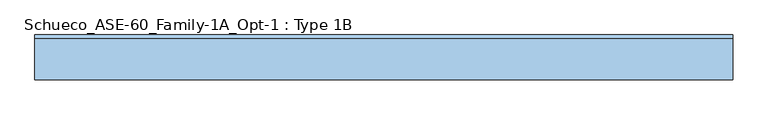
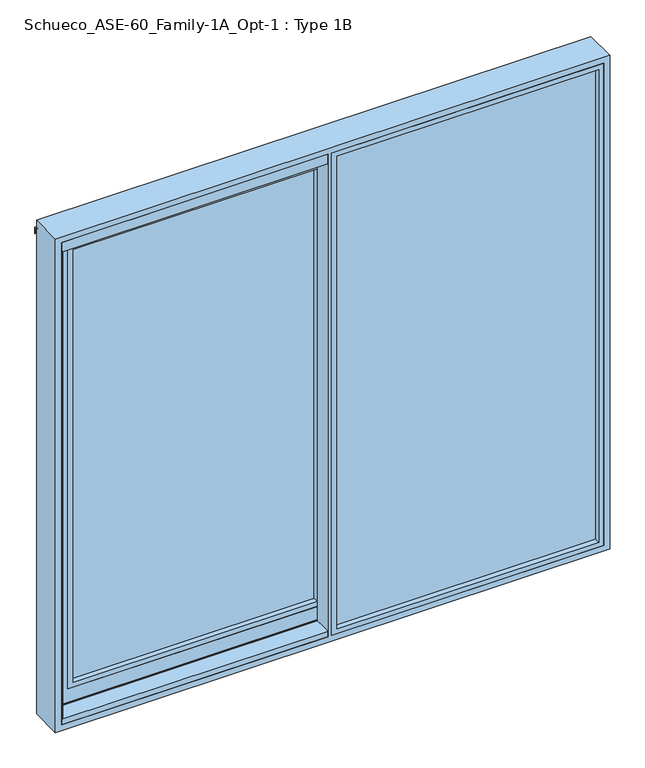
"""IFC4 building model written with IfcOpenShell, lengths in millimetres: window geometry, Schueco_ASE-60_Family-1A_Opt-1 : Type 1B."""

import ifcopenshell
import ifcopenshell.guid

model = None  # the IFC model being written
_history = None  # IfcOwnerHistory: only IFC2X3 demands one
_inside = {}  # id of a spatial element -> (the spatial element, [elements in it])
_under = {}  # id of a project, library or spatial element -> (it, [spatial elements below it])
_declared = {}  # id of a project -> (the project, [libraries it declares])
_typed = {}  # id of a type object -> (the type object, [elements of that type])
_made_of = {}  # id of a material, layer set ... -> (it, [elements and type objects made of it])


def new_model(schema):
    """Start an empty IFC model of exactly this schema.

    Asked for "IFC4X3", IfcOpenShell would pick the latest addendum, in which some entities
    have other attributes; the version numbers below select the first issue.
    IFC2X3 requires an IfcOwnerHistory on every rooted entity: one is made here for all.
    """
    global model, _history
    if schema == "IFC4X3":
        model = ifcopenshell.file(schema_version=(4, 3, 0, 0))
    else:
        model = ifcopenshell.file(schema=schema)
    _inside.clear()
    _under.clear()
    _declared.clear()
    _typed.clear()
    _made_of.clear()
    _history = None
    if model.schema == "IFC2X3":
        org = make("IfcOrganization", Name="unknown")
        user = make(
            "IfcPersonAndOrganization",
            ThePerson=make("IfcPerson", FamilyName="unknown"),
            TheOrganization=org,
        )
        app = make(
            "IfcApplication",
            ApplicationDeveloper=org,
            Version="unknown",
            ApplicationFullName="unknown",
            ApplicationIdentifier="unknown",
        )
        _history = make(
            "IfcOwnerHistory",
            OwningUser=user,
            OwningApplication=app,
            ChangeAction="ADDED",
            CreationDate=0,
        )
    return model


def make(cls, **values):
    """One entity of the class cls with the attributes given. An attribute that is None is left unset."""
    return model.create_entity(
        cls, **{name: value for name, value in values.items() if value is not None}
    )


def rooted(cls, **values):
    """An entity with a GlobalId (a new one), such as an element, a storey or a relation."""
    return make(cls, GlobalId=ifcopenshell.guid.new(), OwnerHistory=_history, **values)


def si_unit(unit_type, name, prefix=None):
    """IfcSIUnit, for example si_unit("LENGTHUNIT", "METRE", prefix="MILLI")."""
    return make("IfcSIUnit", UnitType=unit_type, Prefix=prefix, Name=name)


def assignment(units):
    """IfcUnitAssignment: the units of a project."""
    return None if units is None else make("IfcUnitAssignment", Units=units)


def point(xyz):
    """IfcCartesianPoint."""
    return None if xyz is None else make("IfcCartesianPoint", Coordinates=xyz)


def direction(xyz):
    """IfcDirection."""
    return None if xyz is None else make("IfcDirection", DirectionRatios=xyz)


def frame(location, z_axis=None, x_axis=None):
    """IfcAxis2Placement3D, a coordinate frame: its origin and axes. An axis left out is left unset."""
    return make(
        "IfcAxis2Placement3D",
        Location=point(location),
        Axis=direction(z_axis),
        RefDirection=direction(x_axis),
    )


def origin():
    """The frame at (0, 0, 0) with its axes left unset."""
    return frame((0.0, 0.0, 0.0))


def origin_with_axes():
    """The frame at (0, 0, 0) with the z axis (0, 0, 1) and the x axis (1, 0, 0) written out."""
    return frame((0.0, 0.0, 0.0), z_axis=(0.0, 0.0, 1.0), x_axis=(1.0, 0.0, 0.0))


def place(relative_to, where):
    """IfcLocalPlacement: puts the frame where relative to a parent placement (None: the world)."""
    return make(
        "IfcLocalPlacement", PlacementRelTo=relative_to, RelativePlacement=where
    )


def context(
    kind, dimensions, precision=None, world=None, true_north=None, identifier=None
):
    """IfcGeometricRepresentationContext, for example the 3D "Model" context."""
    return make(
        "IfcGeometricRepresentationContext",
        ContextIdentifier=identifier,
        ContextType=kind,
        CoordinateSpaceDimension=dimensions,
        Precision=precision,
        WorldCoordinateSystem=world,
        TrueNorth=true_north,
    )


def project(units=None, contexts=None):
    """IfcProject with its units and contexts."""
    return rooted(
        "IfcProject",
        Name="project",
        RepresentationContexts=contexts,
        UnitsInContext=assignment(units),
    )


def spatial(cls, under=None, at=None, **own):
    """A site, building, storey or space (cls), placed at a placement, below another one or the project."""
    s = rooted(cls, ObjectPlacement=at, **own)
    if under is not None:
        _under.setdefault(under.id(), (under, []))[1].append(s)
    return s


def polyline(points):
    """IfcPolyline through the points."""
    return make("IfcPolyline", Points=[point(p) for p in points])


def outline(outer, holes=None, kind="AREA"):
    """IfcArbitraryClosedProfileDef: a profile drawn as a closed curve; with holes, ...WithVoids."""
    if holes is None:
        return make("IfcArbitraryClosedProfileDef", ProfileType=kind, OuterCurve=outer)
    return make(
        "IfcArbitraryProfileDefWithVoids",
        ProfileType=kind,
        OuterCurve=outer,
        InnerCurves=holes,
    )


def extrude(swept, where, along, depth):
    """IfcExtrudedAreaSolid: the profile swept, set in the frame where, extruded along a direction by depth."""
    return make(
        "IfcExtrudedAreaSolid",
        SweptArea=swept,
        Position=where,
        ExtrudedDirection=direction(along),
        Depth=depth,
    )


def faces_of(points, faces, orient=None, outer=None):
    """IfcFace entities. A face is a list of loops; a loop is a list of indices into points, from 0.

    orient and outer hold one flag for each loop. By default every Orientation is true, the
    first loop of a face is its IfcFaceOuterBound and the others are IfcFaceBound.
    """
    made = []
    for i, loops in enumerate(faces):
        bounds = []
        for j, loop in enumerate(loops):
            is_outer = j == 0 if outer is None else outer[i][j]
            bounds.append(
                make(
                    "IfcFaceOuterBound" if is_outer else "IfcFaceBound",
                    Bound=make("IfcPolyLoop", Polygon=[points[k] for k in loop]),
                    Orientation=True if orient is None else orient[i][j],
                )
            )
        made.append(make("IfcFace", Bounds=bounds))
    return made


def faceted_brep(points, faces, orient=None, outer=None, voids=None):
    """IfcFacetedBrep: a solid bounded by flat faces; with voids (closed shells), ...WithVoids."""
    shared = [point(p) for p in points]
    hull = make("IfcClosedShell", CfsFaces=faces_of(shared, faces, orient, outer))
    if voids is None:
        return make("IfcFacetedBrep", Outer=hull)
    return make(
        "IfcFacetedBrepWithVoids",
        Outer=hull,
        Voids=[
            make(cls, CfsFaces=faces_of(shared, fs, o, b)) for cls, fs, o, b in voids
        ],
    )


def shape(context_of_items, identifier, shape_type, items):
    """IfcShapeRepresentation: the items that make up one representation, for example the "Body"."""
    return make(
        "IfcShapeRepresentation",
        ContextOfItems=context_of_items,
        RepresentationIdentifier=identifier,
        RepresentationType=shape_type,
        Items=items,
    )


def source(mapping_origin, context_of_items, identifier, shape_type, items):
    """IfcRepresentationMap: a shape defined once, which mapped items show again and again."""
    return make(
        "IfcRepresentationMap",
        MappingOrigin=mapping_origin,
        MappedRepresentation=shape(context_of_items, identifier, shape_type, items),
    )


def transform(
    local_origin,
    x_axis=None,
    y_axis=None,
    z_axis=None,
    scale=None,
    scale2=None,
    scale3=None,
    uniform=True,
):
    """IfcCartesianTransformationOperator3D, or its non-uniform kind. x_axis, y_axis, z_axis: its Axis1, 2, 3."""
    if uniform:
        return make(
            "IfcCartesianTransformationOperator3D",
            Axis1=direction(x_axis),
            Axis2=direction(y_axis),
            LocalOrigin=point(local_origin),
            Scale=scale,
            Axis3=direction(z_axis),
        )
    return make(
        "IfcCartesianTransformationOperator3DnonUniform",
        Axis1=direction(x_axis),
        Axis2=direction(y_axis),
        LocalOrigin=point(local_origin),
        Scale=scale,
        Axis3=direction(z_axis),
        Scale2=scale2,
        Scale3=scale3,
    )


def mapped(mapping_source, mapping_target):
    """IfcMappedItem: shows the shape of a source again, moved by a transform."""
    return make(
        "IfcMappedItem", MappingSource=mapping_source, MappingTarget=mapping_target
    )


def made_of(thing, what):
    """Note that an element or type object is made of a material, layer set ...; save() writes the relation."""
    if what is not None:
        _made_of.setdefault(what.id(), (what, []))[1].append(thing)
    return thing


def element(
    cls,
    number,
    at=None,
    inside=None,
    cuts=None,
    type_object=None,
    material=None,
    context=None,
    identifier="Body",
    shape_type=None,
    held_by="IfcProductDefinitionShape",
    body=None,
    shapes=None,
    **own,
):
    """One element of the class cls, such as IfcWall. Its Tag is "e" and its number.

    at: its placement. inside: the storey or other place that contains it. cuts: it is an
    opening in that element (IfcRelVoidsElement). A single representation is given by context,
    identifier, shape_type and body (its items); several are given by shapes. held_by: the class
    of the entity that holds the representations. save() writes the other relations.
    """
    e = rooted(cls, Tag="e%d" % number, ObjectPlacement=at, **own)
    if body is not None:
        shapes = [shape(context, identifier, shape_type, body)]
    if shapes is not None:
        e.Representation = make(held_by, Representations=shapes)
    if inside is not None:
        _inside.setdefault(inside.id(), (inside, []))[1].append(e)
    if cuts is not None:
        rooted(
            "IfcRelVoidsElement", RelatingBuildingElement=cuts, RelatedOpeningElement=e
        )
    if type_object is not None:
        _typed.setdefault(type_object.id(), (type_object, []))[1].append(e)
    return made_of(e, material)


def aggregate(whole, parts):
    """IfcRelAggregates: a whole, such as a stair, and the parts it consists of."""
    return rooted("IfcRelAggregates", RelatingObject=whole, RelatedObjects=parts)


def save(model, path):
    """Write the relations noted so far, then the file.

    IfcRelAggregates (storeys below a building ...), IfcRelContainedInSpatialStructure (elements
    in a storey), IfcRelDefinesByType, IfcRelAssociatesMaterial and IfcRelDeclares: one each for
    every whole, place, type object, material and project.
    """
    for whole, parts in _under.values():
        aggregate(whole, parts)
    for where, things in _inside.values():
        rooted(
            "IfcRelContainedInSpatialStructure",
            RelatedElements=things,
            RelatingStructure=where,
        )
    for kind, things in _typed.values():
        rooted("IfcRelDefinesByType", RelatedObjects=things, RelatingType=kind)
    for what, things in _made_of.values():
        rooted("IfcRelAssociatesMaterial", RelatedObjects=things, RelatingMaterial=what)
    for by, libraries in _declared.values():
        rooted("IfcRelDeclares", RelatingContext=by, RelatedDefinitions=libraries)
    model.write(path)


def schueco_ase_60_family_1a_opt_1_type_1b_a3e673f0(model_context):
    return source(origin(), model_context, "Body", "SolidModel", [
        extrude(outline(polyline([(0.0, 20.0000255), (20.0, 20.0000255), (20.0, 4.0000255), (0.0, 4.0000255), (0.0, 20.0000255)])), frame((0.0, 0.0, 4.0), z_axis=(0.0, 0.0, 1.0), x_axis=(1.0, 0.0, 0.0)), (0.0, 0.0, 1.0), 2127.0),
        faceted_brep([(-1068.0, 80.0, 86.0), (-1068.0, 68.9999911, 86.0), (-20.0, 68.9999911, 86.0), (-20.0, 80.0, 86.0), (2.0, 68.9999911, 64.0), (-1090.0, 68.9999911, 64.0), (-1090.0, 20.0000255, 64.0), (2.0, 20.0000255, 64.0), (-1150.0017184, 80.0, 4.0), (20.0, 80.0, 4.0), (20.0, 20.0000255, 4.0), (-1150.0, 20.0000255, 4.0), (-1150.0, 25.5000255, 4.0), (2.0, 25.5000255, 4.0), (2.0, 68.9999911, 4.0), (-20.0, 68.9999911, 4.0), (-20.0, 74.5000332, 4.0), (-1150.0017184, 74.5000332, 4.0), (-1120.0, 25.5000255, 34.0), (-1120.0, 74.5000332, 34.0), (-20.0, 74.5000332, 34.0), (-20.0, 68.9999911, 34.0), (2.0, 68.9999911, 34.0), (2.0, 25.5000255, 34.0), (-1068.0, 80.0, 2049.0), (-1068.0, 68.9999911, 2049.0), (-1090.0, 68.9999911, 2071.0), (-1090.0, 20.0000255, 2071.0), (-1150.0, 20.0000255, 2131.0), (-1150.0, 25.5000255, 2131.0), (-1120.0, 25.5000255, 2101.0), (-1120.0, 74.5000332, 2101.0), (-1150.0017184, 74.5000332, 2131.0017184), (-1150.0017184, 80.0, 2131.0017184), (-20.0, 80.0, 2049.0), (-20.0, 68.9999911, 2049.0), (2.0, 68.9999911, 2071.0), (2.0, 20.0000255, 2071.0), (20.0, 20.0000255, 2131.0), (20.0, 80.0, 2131.0), (-20.0, 74.5000332, 2131.0), (-20.0, 68.9999911, 2131.0), (2.0, 68.9999911, 2131.0), (2.0, 25.5000255, 2131.0), (2.0, 25.5000255, 2101.0), (2.0, 68.9999911, 2101.0), (-20.0, 68.9999911, 2101.0), (-20.0, 74.5000332, 2101.0)], [[[0, 1, 2, 3]], [[4, 5, 6, 7]], [[8, 9, 10, 11, 12, 13, 14, 15, 16, 17]], [[18, 19, 20, 21, 22, 23]], [[24, 25, 1, 0]], [[26, 27, 6, 5]], [[28, 29, 12, 11]], [[30, 31, 19, 18]], [[32, 33, 8, 17]], [[25, 24, 34, 35]], [[27, 26, 36, 37]], [[38, 39, 33, 32, 40, 41, 42, 43, 29, 28]], [[31, 30, 44, 45, 46, 47]], [[39, 38, 10, 9]], [[10, 38, 28, 11], [27, 37, 7, 6]], [[33, 39, 9, 8], [0, 3, 34, 24]], [[16, 15, 21, 20]], [[41, 40, 47, 46]], [[34, 3, 2, 35]], [[15, 14, 22, 21]], [[26, 5, 4, 36], [1, 25, 35, 2]], [[42, 41, 46, 45]], [[14, 13, 23, 22]], [[43, 42, 45, 44]], [[36, 4, 7, 37]], [[12, 29, 43, 44, 30, 18, 23, 13]], [[19, 31, 47, 40, 32, 17, 16, 20]]]),
        extrude(outline(polyline([(64.0, 2.0), (2071.0, 2.0), (2071.0, -1090.0), (64.0, -1090.0), (64.0, 2.0)]), holes=[polyline([(86.012649, -20.012649), (86.012649, -1067.987351), (2048.987351, -1067.987351), (2048.987351, -20.012649), (86.012649, -20.012649)])]), frame((0.0, 20.0000255, 0.0), z_axis=(0.0, 1.0, 0.0), x_axis=(0.0, 0.0, 1.0)), (0.0, 0.0, 1.0), 22.9999656),
        extrude(outline(polyline([(-1090.0, 68.9999911), (2.0, 68.9999911), (2.0, 42.9999911), (-1090.0, 42.9999911), (-1090.0, 68.9999911)])), frame((0.0, 0.0, 64.0), z_axis=(0.0, 0.0, 1.0), x_axis=(1.0, 0.0, 0.0)), (0.0, 0.0, 1.0), 2007.0),
        extrude(outline(polyline([(1139.0, 5.0), (1139.0, 80.0), (1150.0, 80.0), (1150.0, 71.2), (1142.0, 68.2882381), (1142.0, 9.0), (1158.0007202, 9.0), (1158.0007202, 5.0), (1139.0, 5.0)])), frame((0.0, 0.0, -19.0), z_axis=(0.0, 0.0, 1.0), x_axis=(1.0, 0.0, 0.0)), (0.0, 0.0, 1.0), 2174.2007202),
        extrude(outline(polyline([(-3.9999695, -10.9998071), (1164.0, -10.9998071), (1164.0, -36.9998071), (-3.9999695, -36.9998071), (-3.9999695, -10.9998071)])), frame((0.0, 0.0, -25.0), z_axis=(0.0, 0.0, 1.0), x_axis=(1.0, 0.0, 0.0)), (0.0, 0.0, 1.0), 2189.0),
        extrude(outline(polyline([(2164.0, -3.9999695), (-25.0, -3.9999695), (-25.0, 1164.0), (2164.0, 1164.0), (2164.0, -3.9999695)]), holes=[polyline([(2141.9998171, 1141.9998171), (-2.9998171, 1141.9998171), (-2.9998171, 18.0002134), (2141.9998171, 18.0002134), (2141.9998171, 1141.9998171)])]), frame((0.0, -60.0, 0.0), z_axis=(0.0, 1.0, 0.0), x_axis=(0.0, 0.0, 1.0)), (0.0, 0.0, 1.0), 23.0001929),
        extrude(outline(polyline([(-1158.999904, -60.0), (-1164.0, -60.0), (-1164.0, -41.7002059), (-1153.7767036, -41.7002059), (-1142.0, -16.4449835), (-1142.0, 10.9997941), (-1158.0007202, 10.9997941), (-1158.0007202, 14.9997941), (-1139.0, 14.9997941), (-1139.0, -17.1100675), (-1158.999904, -60.0)])), origin_with_axes(), (0.0, 0.0, 1.0), 2120.9),
        faceted_brep([(1190.0, 80.0, -51.0), (1190.0, -60.0, -51.0), (-1190.0, -60.0, -51.0), (-1190.0, 80.0, -51.0), (1190.0, 80.0, 2190.0), (1190.0, -60.0, 2190.0), (-1190.0, -60.0, 2190.0), (1164.0, -60.0, 2164.0), (1164.0, -60.0, -25.0), (-3.9999695, -60.0, -25.0), (-3.9999695, -60.0, 2164.0), (-1164.0, -60.0, 2164.0), (-20.0, -60.0, 2164.0), (-20.0, -60.0, -25.0), (-1164.0, -60.0, -25.0), (-1190.0, 80.0, 2190.0), (1142.0, 0.0, -3.0), (1142.0, -10.9998071, -3.0), (1142.0, -10.9998071, 2142.0), (1142.0, 0.0, 2142.0), (-1164.0, -10.9998071, -25.0), (-1164.0, -10.9998071, 2164.0), (1164.0, -10.9998071, -25.0), (1164.0, -10.9998071, 2164.0), (-3.9999695, -10.9998071, -25.0), (-20.0, -10.9998071, -25.0), (1158.0007202, 0.0, 2155.2007202), (1158.0007202, 0.0, -25.0), (0.0, 0.0, -25.0), (0.0, 0.0, 2155.2007202), (20.0, 0.0, 2142.0), (20.0, 0.0, -3.0), (-1142.0, 0.0, 2142.0), (-1142.0, 0.0, -3.0), (-20.0, 0.0, -3.0), (-20.0, 0.0, -25.0), (-1158.0007202, 0.0, -25.0), (-1158.0007202, 0.0, 2155.2007202), (-20.0, 0.0, 2155.2007202), (-20.0, 0.0, 2142.0), (1158.0007202, 28.7999745, -25.0), (1158.0007202, 28.7999745, 2155.2007202), (-1158.0007202, 28.7999745, -25.0), (-1158.0007202, 28.7999745, 2155.2007202), (1150.0007202, 28.7999745, -11.0007902), (-1150.0007202, 28.7999745, -11.0007902), (-1150.0007202, 28.7999745, 2155.2007202), (1150.0007202, 28.7999745, 2155.2007202), (1141.9999672, 31.7120105, -3.0000372), (-1141.9999314, 31.7120239, -3.0000002), (-1141.9999979, 31.7119993, 2122.0), (-1146.7036773, 30.0, 2122.0), (-1146.7036773, 30.0, 2129.2), (-1141.9999982, 31.7119992, 2130.9119992), (-1141.9999989, 31.7119989, 2155.2007202), (1142.0, 31.7119985, 2155.2007202), (1142.0, 31.7119985, 2130.9119985), (1146.7036773, 30.0, 2129.2), (1146.7036773, 30.0, 2122.0), (1142.0, 31.7119985, 2122.0), (1142.0, 35.8, 2155.2007202), (1142.0, 35.8, 2135.0), (1142.0, 68.2882381, -3.0), (1142.0, 68.2882381, 2122.0), (1142.0, 68.2882381, 2142.0), (1142.0, 68.2882381, 2130.9117619), (1142.0, 64.2, 2135.0), (1142.0, 64.2, 2142.0), (-1142.0, 68.2882381, -3.0), (1150.0, 71.2, -11.0), (1146.7030271, 70.0, 2122.0), (1146.7030271, 70.0, 2129.2), (1150.0, 71.2, 2150.0), (-1150.0, 71.2, -11.0), (1158.0, 71.2, -19.0), (-1158.0, 71.2, -19.0), (-1158.0, 71.2, 2157.5), (1158.0, 71.2, 2157.5), (-1150.0, 71.2, 2150.0), (-1142.0, 68.2882381, 2142.0), (-1142.0, 68.2882381, 2130.9117619), (-1146.7030271, 70.0, 2129.2), (-1146.7030271, 70.0, 2122.0), (-1142.0, 68.2882381, 2122.0), (1158.0, 80.0, -19.0), (-1158.0, 80.0, -19.0), (-1158.0, 80.0, 2157.5), (1158.0, 80.0, 2157.5), (-1142.0, 64.2, 2142.0), (-1142.0, 64.2, 2135.0), (-1142.0, 35.8, 2135.0), (-1142.0, 35.8, 2155.2007202), (-1142.0, -10.9998071, -3.0), (-1142.0, -10.9998071, 2142.0), (-3.9999695, -10.9998071, 2164.0), (20.0, -10.9998071, -3.0), (20.0, -10.9998071, 2142.0), (-20.0, -10.9998071, 2142.0), (-20.0, -10.9998071, 2164.0), (-20.0, -10.9998071, -3.0), (0.0, 16.0, 2155.2007202), (-20.0, 16.0, 2155.2007202), (-20.0, 16.0, -25.0), (0.0, 16.0, -25.0)], [[[0, 1, 2, 3]], [[4, 5, 1, 0]], [[6, 2, 1, 5], [7, 8, 9, 10], [11, 12, 13, 14]], [[3, 2, 6, 15]], [[16, 17, 18, 19]], [[14, 20, 21, 11]], [[22, 8, 7, 23]], [[8, 22, 24, 9]], [[20, 14, 13, 25]], [[26, 27, 28, 29], [16, 19, 30, 31]], [[32, 33, 34, 35, 36, 37, 38, 39]], [[40, 27, 26, 41]], [[36, 42, 43, 37]], [[44, 45, 46, 43, 42, 40, 41, 47]], [[44, 48, 49, 45]], [[45, 49, 50, 51, 52, 53, 54, 46]], [[48, 44, 47, 55, 56, 57, 58, 59]], [[56, 55, 60, 61]], [[62, 48, 59, 63]], [[64, 65, 66, 67]], [[48, 62, 68, 49]], [[69, 62, 63, 70, 71, 65, 64, 72]], [[62, 69, 73, 68]], [[74, 75, 76, 77], [73, 69, 72, 78]], [[68, 73, 78, 79, 80, 81, 82, 83]], [[74, 84, 85, 75]], [[75, 85, 86, 76]], [[84, 74, 77, 87]], [[49, 68, 83, 50]], [[80, 79, 88, 89]], [[54, 53, 90, 91]], [[92, 33, 32, 93]], [[22, 23, 94, 24], [18, 17, 95, 96]], [[92, 93, 97, 98, 21, 20, 25, 99]], [[6, 5, 4, 15]], [[11, 21, 98, 12]], [[94, 23, 7, 10]], [[91, 60, 55, 47, 41, 26, 29, 100, 101, 38, 37, 43, 46, 54]], [[52, 57, 56, 61, 90, 53]], [[51, 58, 57, 52]], [[82, 70, 63, 59, 58, 51, 50, 83]], [[90, 61, 60, 91]], [[89, 66, 65, 71, 81, 80]], [[88, 67, 66, 89]], [[79, 64, 67, 88]], [[81, 71, 70, 82]], [[78, 72, 64, 79]], [[86, 87, 77, 76]], [[0, 3, 15, 4], [85, 84, 87, 86]], [[17, 16, 31, 95]], [[33, 92, 99, 34]], [[28, 27, 40, 42, 36, 35, 102, 103]], [[19, 18, 96, 30]], [[93, 32, 39, 97]], [[13, 12, 98, 97, 39, 38, 101, 102, 35, 34, 99, 25]], [[10, 9, 24, 94]], [[96, 95, 31, 30]], [[29, 28, 103, 100]], [[100, 103, 102, 101]]]),
        extrude(outline(polyline([(71.2000255, 2150.5), (71.2000255, 2157.5), (79.9996967, 2157.5), (92.6000233, 2150.225198), (92.6000233, 2121.5), (91.0000233, 2121.5), (91.0000233, 2149.0706861), (88.5243789, 2150.5), (71.2000255, 2150.5)])), frame((-1190.0, 0.0, 0.0), z_axis=(1.0, 0.0, 0.0), x_axis=(0.0, 1.0, 0.0)), (0.0, 0.0, 1.0), 2380.0),
        extrude(outline(polyline([(80.0, 0.0), (80.0, -11.0), (71.2, -11.0), (68.2882381, -3.0), (61.9001183, -3.0), (61.9001183, 0.0), (80.0, 0.0)])), frame((-1158.0, 0.0, 0.0), z_axis=(1.0, 0.0, 0.0), x_axis=(0.0, 1.0, 0.0)), (0.0, 0.0, 1.0), 2297.0),
        extrude(outline(polyline([(38.1001183, 0.0), (38.1001183, -3.0), (31.712024, -3.0), (28.7999745, -11.0007902), (28.7999745, -25.0), (20.0000255, -25.0), (20.0000255, 0.0), (38.1001183, 0.0)])), frame((-1158.0, 0.0, 0.0), z_axis=(1.0, 0.0, 0.0), x_axis=(0.0, 1.0, 0.0)), (0.0, 0.0, 1.0), 2297.0),
        extrude(outline(polyline([(16.0, 0.0), (16.0, -11.0), (7.2, -11.0), (7.2, -3.0), (-40.5987802, -3.0), (-40.5987802, -25.0), (-60.0, -25.0), (-60.0, 0.0), (16.0, 0.0)])), frame((-1164.0, 0.0, 0.0), z_axis=(1.0, 0.0, 0.0), x_axis=(0.0, 1.0, 0.0)), (0.0, 0.0, 1.0), 1144.0),
        extrude(outline(polyline([(-60.0, 2120.9), (-60.0, 2164.0), (-40.6, 2164.0), (-40.6, 2131.0), (-10.9998071, 2131.0), (-10.9998071, 2142.0), (0.0, 2142.0), (0.0, 2131.0), (16.0, 2131.0), (16.0, 2120.9), (-60.0, 2120.9)])), frame((-1164.0, 0.0, 0.0), z_axis=(1.0, 0.0, 0.0), x_axis=(0.0, 1.0, 0.0)), (0.0, 0.0, 1.0), 1144.0),
    ])


if __name__ == "__main__":
    model = new_model("IFC4")
    model_context = context("Model", 3, world=origin())
    ifc_project = project(units=[si_unit("LENGTHUNIT", "METRE", prefix="MILLI")], contexts=[model_context])
    site = spatial("IfcSite", under=ifc_project)
    building = spatial("IfcBuilding", under=site)
    placement = place(None, origin())
    schueco_ase_60_family_1a_opt_1_type_1b_shape = schueco_ase_60_family_1a_opt_1_type_1b_a3e673f0(model_context)
    element("IfcWindow", 1, ObjectType="Schueco_ASE-60_Family-1A_Opt-1 : Type 1B", at=placement, inside=building, context=model_context, shape_type="MappedRepresentation", body=[
        mapped(schueco_ase_60_family_1a_opt_1_type_1b_shape, transform((0.0, 0.0, 0.0), x_axis=(1.0, 0.0, 0.0), y_axis=(0.0, 1.0, 0.0), z_axis=(0.0, 0.0, 1.0))),
    ])
    save(model, "model.ifc")
